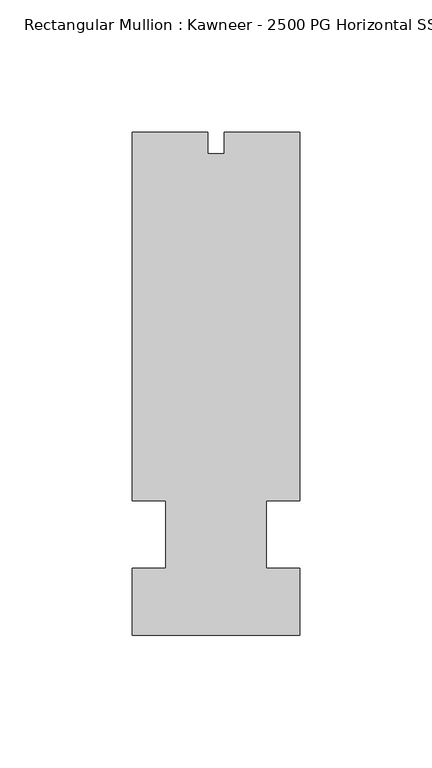
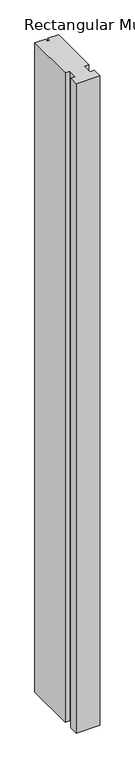
"""IFC4 building model written with IfcOpenShell, lengths in millimetres: member geometry, Rectangular Mullion : Kawneer - 2500 PG Horizontal SSG - Mullion_Vertical."""

from ifc_helpers import new_model, si_unit, frame, origin, place, context, project, spatial, polyline, outline, extrude, source, transform, mapped, element, save


def rectangular_mullion_kawneer_2500_pg_horizontal_ssg_mullion_e77a4fe3(model_context):
    return source(origin(), model_context, "Body", "SweptSolid", [
        extrude(outline(polyline([(-31.75, -95.25), (-31.75, -69.85), (-19.0527628, -69.85), (-19.0527628, -44.45), (-31.75, -44.45), (-31.75, 95.25), (-3.175, 95.25), (-3.175, 86.9442), (3.175, 86.9442), (3.175, 95.25), (31.75, 95.25), (31.75, -44.45), (19.05, -44.45), (19.05, -69.85), (31.75, -69.85), (31.75, -95.25), (-31.75, -95.25)])), frame((0.0, 0.0, -1837.9100657), z_axis=(0.0, 0.0, 1.0), x_axis=(1.0, 0.0, 0.0)), (0.0, 0.0, 1.0), 1837.9100657),
    ])


if __name__ == "__main__":
    model = new_model("IFC4")
    model_context = context("Model", 3, world=origin())
    ifc_project = project(units=[si_unit("LENGTHUNIT", "METRE", prefix="MILLI")], contexts=[model_context])
    site = spatial("IfcSite", under=ifc_project)
    building = spatial("IfcBuilding", under=site)
    placement = place(None, origin())
    rectangular_mullion_kawneer_2500_pg_horizontal_ssg_mullion_shape = rectangular_mullion_kawneer_2500_pg_horizontal_ssg_mullion_e77a4fe3(model_context)
    element("IfcMember", 1, ObjectType="Rectangular Mullion : Kawneer - 2500 PG Horizontal SSG - Mullion_Vertical", at=placement, inside=building, context=model_context, shape_type="MappedRepresentation", body=[
        mapped(rectangular_mullion_kawneer_2500_pg_horizontal_ssg_mullion_shape, transform((0.0, 0.0, 0.0), x_axis=(1.0, 0.0, 0.0), y_axis=(0.0, 1.0, 0.0), z_axis=(0.0, 0.0, 1.0))),
    ])
    save(model, "model.ifc")
